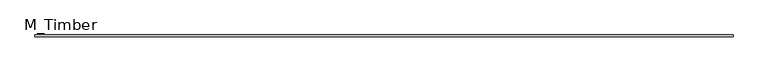
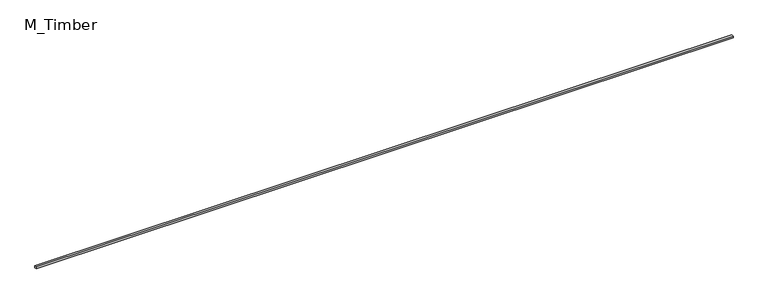
"""IFC4 building model written with IfcOpenShell, lengths in millimetres: beam geometry, M_Timber."""

from ifc_helpers import new_model, si_unit, frame, origin, place, context, project, spatial, polyline, outline, extrude, source, transform, mapped, element, save


def m_timber_219e921e(model_context):
    return source(origin(), model_context, "Body", "SweptSolid", [
        extrude(outline(polyline([(7208.1927278, 20.0), (7208.1927278, -20.0), (-7208.1927278, -20.0), (-7208.1927278, 20.0), (7208.1927278, 20.0)])), frame((0.0, 0.0, -20.0), z_axis=(0.0, 0.0, 1.0), x_axis=(1.0, 0.0, 0.0)), (0.0, 0.0, 1.0), 40.0),
    ])


if __name__ == "__main__":
    model = new_model("IFC4")
    model_context = context("Model", 3, world=origin())
    ifc_project = project(units=[si_unit("LENGTHUNIT", "METRE", prefix="MILLI")], contexts=[model_context])
    site = spatial("IfcSite", under=ifc_project)
    building = spatial("IfcBuilding", under=site)
    placement = place(None, origin())
    m_timber_shape = m_timber_219e921e(model_context)
    element("IfcBeam", 1, ObjectType="M_Timber", at=placement, inside=building, context=model_context, shape_type="MappedRepresentation", body=[
        mapped(m_timber_shape, transform((0.0, 0.0, 0.0), x_axis=(1.0, 0.0, 0.0), y_axis=(0.0, 1.0, 0.0), z_axis=(0.0, 0.0, 1.0))),
    ])
    save(model, "model.ifc")
